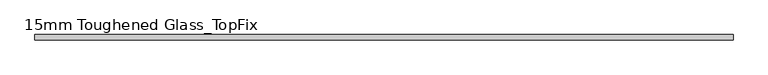
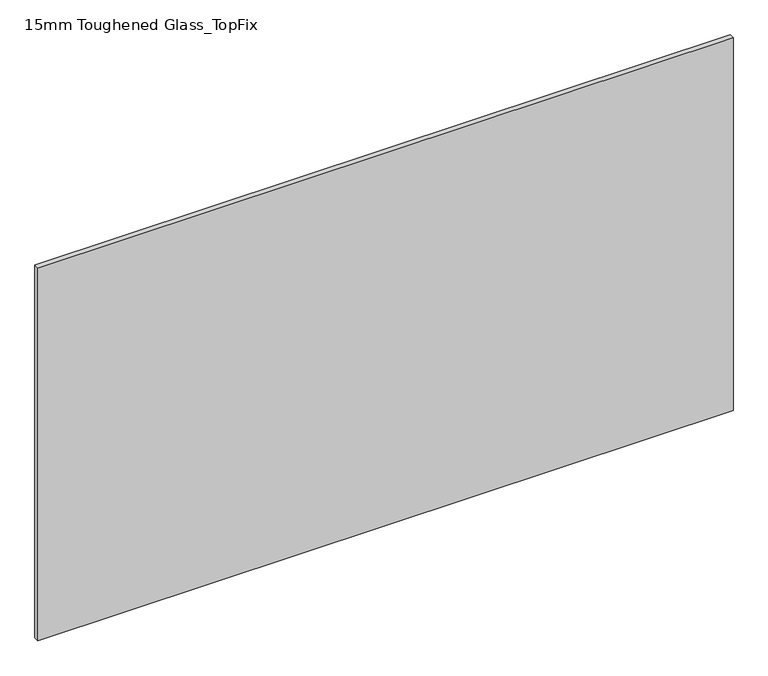
"""IFC4 building model written with IfcOpenShell, lengths in millimetres: plate geometry, 15mm Toughened Glass_TopFix."""

from ifc_helpers import new_model, si_unit, origin, origin_with_axes, place, context, project, spatial, polyline, outline, extrude, source, transform, mapped, element, save


def plate_15mm_toughened_glass_topfix_f146fc75(model_context):
    return source(origin(), model_context, "Body", "SweptSolid", [
        extrude(outline(polyline([(995.0000001, 7.5), (995.0000001, -7.5), (-995.0000001, -7.5), (-995.0000001, 7.5), (995.0000001, 7.5)])), origin_with_axes(), (0.0, 0.0, 1.0), 1129.0),
    ])


if __name__ == "__main__":
    model = new_model("IFC4")
    model_context = context("Model", 3, world=origin())
    ifc_project = project(units=[si_unit("LENGTHUNIT", "METRE", prefix="MILLI")], contexts=[model_context])
    site = spatial("IfcSite", under=ifc_project)
    building = spatial("IfcBuilding", under=site)
    placement = place(None, origin())
    plate_15mm_toughened_glass_topfix_shape = plate_15mm_toughened_glass_topfix_f146fc75(model_context)
    element("IfcPlate", 1, ObjectType="15mm Toughened Glass_TopFix", at=placement, inside=building, context=model_context, shape_type="MappedRepresentation", body=[
        mapped(plate_15mm_toughened_glass_topfix_shape, transform((0.0, 0.0, 0.0), x_axis=(1.0, 0.0, 0.0), y_axis=(0.0, 1.0, 0.0), z_axis=(0.0, 0.0, 1.0))),
    ])
    save(model, "model.ifc")
